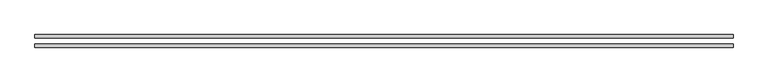
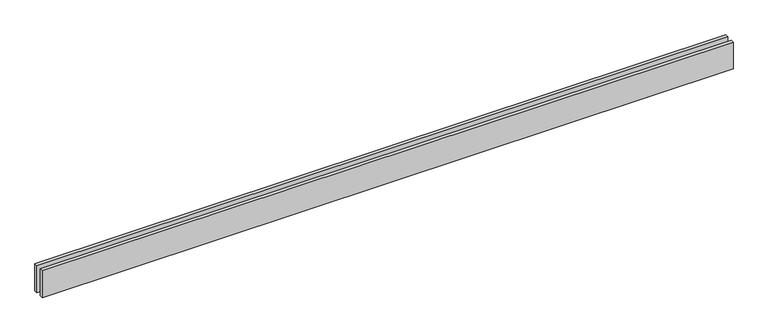
"""IFC4 building model written with IfcOpenShell, lengths in millimetres: proxy geometry."""

import ifcopenshell
import ifcopenshell.guid

model = None  # the IFC model being written
_history = None  # IfcOwnerHistory: only IFC2X3 demands one
_inside = {}  # id of a spatial element -> (the spatial element, [elements in it])
_under = {}  # id of a project, library or spatial element -> (it, [spatial elements below it])
_declared = {}  # id of a project -> (the project, [libraries it declares])
_typed = {}  # id of a type object -> (the type object, [elements of that type])
_made_of = {}  # id of a material, layer set ... -> (it, [elements and type objects made of it])


def new_model(schema):
    """Start an empty IFC model of exactly this schema.

    Asked for "IFC4X3", IfcOpenShell would pick the latest addendum, in which some entities
    have other attributes; the version numbers below select the first issue.
    IFC2X3 requires an IfcOwnerHistory on every rooted entity: one is made here for all.
    """
    global model, _history
    if schema == "IFC4X3":
        model = ifcopenshell.file(schema_version=(4, 3, 0, 0))
    else:
        model = ifcopenshell.file(schema=schema)
    _inside.clear()
    _under.clear()
    _declared.clear()
    _typed.clear()
    _made_of.clear()
    _history = None
    if model.schema == "IFC2X3":
        org = make("IfcOrganization", Name="unknown")
        user = make(
            "IfcPersonAndOrganization",
            ThePerson=make("IfcPerson", FamilyName="unknown"),
            TheOrganization=org,
        )
        app = make(
            "IfcApplication",
            ApplicationDeveloper=org,
            Version="unknown",
            ApplicationFullName="unknown",
            ApplicationIdentifier="unknown",
        )
        _history = make(
            "IfcOwnerHistory",
            OwningUser=user,
            OwningApplication=app,
            ChangeAction="ADDED",
            CreationDate=0,
        )
    return model


def make(cls, **values):
    """One entity of the class cls with the attributes given. An attribute that is None is left unset."""
    return model.create_entity(
        cls, **{name: value for name, value in values.items() if value is not None}
    )


def rooted(cls, **values):
    """An entity with a GlobalId (a new one), such as an element, a storey or a relation."""
    return make(cls, GlobalId=ifcopenshell.guid.new(), OwnerHistory=_history, **values)


def si_unit(unit_type, name, prefix=None):
    """IfcSIUnit, for example si_unit("LENGTHUNIT", "METRE", prefix="MILLI")."""
    return make("IfcSIUnit", UnitType=unit_type, Prefix=prefix, Name=name)


def assignment(units):
    """IfcUnitAssignment: the units of a project."""
    return None if units is None else make("IfcUnitAssignment", Units=units)


def point(xyz):
    """IfcCartesianPoint."""
    return None if xyz is None else make("IfcCartesianPoint", Coordinates=xyz)


def direction(xyz):
    """IfcDirection."""
    return None if xyz is None else make("IfcDirection", DirectionRatios=xyz)


def frame(location, z_axis=None, x_axis=None):
    """IfcAxis2Placement3D, a coordinate frame: its origin and axes. An axis left out is left unset."""
    return make(
        "IfcAxis2Placement3D",
        Location=point(location),
        Axis=direction(z_axis),
        RefDirection=direction(x_axis),
    )


def origin():
    """The frame at (0, 0, 0) with its axes left unset."""
    return frame((0.0, 0.0, 0.0))


def origin_with_axes():
    """The frame at (0, 0, 0) with the z axis (0, 0, 1) and the x axis (1, 0, 0) written out."""
    return frame((0.0, 0.0, 0.0), z_axis=(0.0, 0.0, 1.0), x_axis=(1.0, 0.0, 0.0))


def place(relative_to, where):
    """IfcLocalPlacement: puts the frame where relative to a parent placement (None: the world)."""
    return make(
        "IfcLocalPlacement", PlacementRelTo=relative_to, RelativePlacement=where
    )


def context(
    kind, dimensions, precision=None, world=None, true_north=None, identifier=None
):
    """IfcGeometricRepresentationContext, for example the 3D "Model" context."""
    return make(
        "IfcGeometricRepresentationContext",
        ContextIdentifier=identifier,
        ContextType=kind,
        CoordinateSpaceDimension=dimensions,
        Precision=precision,
        WorldCoordinateSystem=world,
        TrueNorth=true_north,
    )


def project(units=None, contexts=None):
    """IfcProject with its units and contexts."""
    return rooted(
        "IfcProject",
        Name="project",
        RepresentationContexts=contexts,
        UnitsInContext=assignment(units),
    )


def spatial(cls, under=None, at=None, **own):
    """A site, building, storey or space (cls), placed at a placement, below another one or the project."""
    s = rooted(cls, ObjectPlacement=at, **own)
    if under is not None:
        _under.setdefault(under.id(), (under, []))[1].append(s)
    return s


def polyline(points):
    """IfcPolyline through the points."""
    return make("IfcPolyline", Points=[point(p) for p in points])


def outline(outer, holes=None, kind="AREA"):
    """IfcArbitraryClosedProfileDef: a profile drawn as a closed curve; with holes, ...WithVoids."""
    if holes is None:
        return make("IfcArbitraryClosedProfileDef", ProfileType=kind, OuterCurve=outer)
    return make(
        "IfcArbitraryProfileDefWithVoids",
        ProfileType=kind,
        OuterCurve=outer,
        InnerCurves=holes,
    )


def extrude(swept, where, along, depth):
    """IfcExtrudedAreaSolid: the profile swept, set in the frame where, extruded along a direction by depth."""
    return make(
        "IfcExtrudedAreaSolid",
        SweptArea=swept,
        Position=where,
        ExtrudedDirection=direction(along),
        Depth=depth,
    )


def shape(context_of_items, identifier, shape_type, items):
    """IfcShapeRepresentation: the items that make up one representation, for example the "Body"."""
    return make(
        "IfcShapeRepresentation",
        ContextOfItems=context_of_items,
        RepresentationIdentifier=identifier,
        RepresentationType=shape_type,
        Items=items,
    )


def source(mapping_origin, context_of_items, identifier, shape_type, items):
    """IfcRepresentationMap: a shape defined once, which mapped items show again and again."""
    return make(
        "IfcRepresentationMap",
        MappingOrigin=mapping_origin,
        MappedRepresentation=shape(context_of_items, identifier, shape_type, items),
    )


def transform(
    local_origin,
    x_axis=None,
    y_axis=None,
    z_axis=None,
    scale=None,
    scale2=None,
    scale3=None,
    uniform=True,
):
    """IfcCartesianTransformationOperator3D, or its non-uniform kind. x_axis, y_axis, z_axis: its Axis1, 2, 3."""
    if uniform:
        return make(
            "IfcCartesianTransformationOperator3D",
            Axis1=direction(x_axis),
            Axis2=direction(y_axis),
            LocalOrigin=point(local_origin),
            Scale=scale,
            Axis3=direction(z_axis),
        )
    return make(
        "IfcCartesianTransformationOperator3DnonUniform",
        Axis1=direction(x_axis),
        Axis2=direction(y_axis),
        LocalOrigin=point(local_origin),
        Scale=scale,
        Axis3=direction(z_axis),
        Scale2=scale2,
        Scale3=scale3,
    )


def mapped(mapping_source, mapping_target):
    """IfcMappedItem: shows the shape of a source again, moved by a transform."""
    return make(
        "IfcMappedItem", MappingSource=mapping_source, MappingTarget=mapping_target
    )


def made_of(thing, what):
    """Note that an element or type object is made of a material, layer set ...; save() writes the relation."""
    if what is not None:
        _made_of.setdefault(what.id(), (what, []))[1].append(thing)
    return thing


def element(
    cls,
    number,
    at=None,
    inside=None,
    cuts=None,
    type_object=None,
    material=None,
    context=None,
    identifier="Body",
    shape_type=None,
    held_by="IfcProductDefinitionShape",
    body=None,
    shapes=None,
    **own,
):
    """One element of the class cls, such as IfcWall. Its Tag is "e" and its number.

    at: its placement. inside: the storey or other place that contains it. cuts: it is an
    opening in that element (IfcRelVoidsElement). A single representation is given by context,
    identifier, shape_type and body (its items); several are given by shapes. held_by: the class
    of the entity that holds the representations. save() writes the other relations.
    """
    e = rooted(cls, Tag="e%d" % number, ObjectPlacement=at, **own)
    if body is not None:
        shapes = [shape(context, identifier, shape_type, body)]
    if shapes is not None:
        e.Representation = make(held_by, Representations=shapes)
    if inside is not None:
        _inside.setdefault(inside.id(), (inside, []))[1].append(e)
    if cuts is not None:
        rooted(
            "IfcRelVoidsElement", RelatingBuildingElement=cuts, RelatedOpeningElement=e
        )
    if type_object is not None:
        _typed.setdefault(type_object.id(), (type_object, []))[1].append(e)
    return made_of(e, material)


def aggregate(whole, parts):
    """IfcRelAggregates: a whole, such as a stair, and the parts it consists of."""
    return rooted("IfcRelAggregates", RelatingObject=whole, RelatedObjects=parts)


def save(model, path):
    """Write the relations noted so far, then the file.

    IfcRelAggregates (storeys below a building ...), IfcRelContainedInSpatialStructure (elements
    in a storey), IfcRelDefinesByType, IfcRelAssociatesMaterial and IfcRelDeclares: one each for
    every whole, place, type object, material and project.
    """
    for whole, parts in _under.values():
        aggregate(whole, parts)
    for where, things in _inside.values():
        rooted(
            "IfcRelContainedInSpatialStructure",
            RelatedElements=things,
            RelatingStructure=where,
        )
    for kind, things in _typed.values():
        rooted("IfcRelDefinesByType", RelatedObjects=things, RelatingType=kind)
    for what, things in _made_of.values():
        rooted("IfcRelAssociatesMaterial", RelatedObjects=things, RelatingMaterial=what)
    for by, libraries in _declared.values():
        rooted("IfcRelDeclares", RelatingContext=by, RelatedDefinitions=libraries)
    model.write(path)


def generic_models_a8f14493(model_context):
    return source(origin(), model_context, "Body", "SweptSolid", [
        extrude(outline(polyline([(6080.0, -25.0), (6080.0, -55.0), (0.0, -55.0), (0.0, -25.0), (6080.0, -25.0)])), origin_with_axes(), (0.0, 0.0, 1.0), 250.0),
        extrude(outline(polyline([(6080.0, 55.0), (6080.0, 25.0), (0.0, 25.0), (0.0, 55.0), (6080.0, 55.0)])), origin_with_axes(), (0.0, 0.0, 1.0), 250.0),
    ])


if __name__ == "__main__":
    model = new_model("IFC4")
    model_context = context("Model", 3, world=origin())
    ifc_project = project(units=[si_unit("LENGTHUNIT", "METRE", prefix="MILLI")], contexts=[model_context])
    site = spatial("IfcSite", under=ifc_project)
    building = spatial("IfcBuilding", under=site)
    placement = place(None, origin())
    generic_models_shape = generic_models_a8f14493(model_context)
    element("IfcBuildingElementProxy", 1, Name="Generic Models", at=placement, inside=building, context=model_context, shape_type="MappedRepresentation", body=[
        mapped(generic_models_shape, transform((0.0, 0.0, 0.0), x_axis=(1.0, 0.0, 0.0), y_axis=(0.0, 1.0, 0.0), z_axis=(0.0, 0.0, 1.0))),
    ])
    save(model, "model.ifc")
